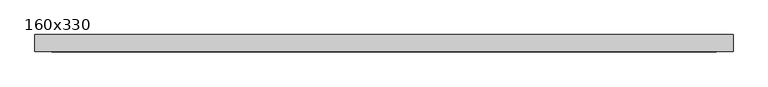
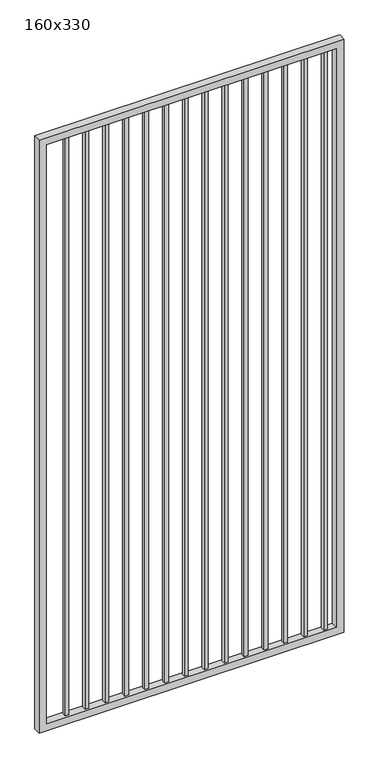
"""IFC4 building model written with IfcOpenShell, lengths in millimetres: proxy geometry, 160x330."""

from ifc_helpers import new_model, si_unit, frame, origin, place, context, project, spatial, polyline, outline, extrude, source, transform, mapped, element, save


def proxy_160x330_420c5714(model_context):
    return source(origin(), model_context, "Body", "SweptSolid", [
        extrude(outline(polyline([(1508.125, 9.525), (1508.125, -9.525), (1489.075, -9.525), (1489.075, 9.525), (1508.125, 9.525)])), frame((0.0, 0.0, 139.7), z_axis=(0.0, 0.0, 1.0), x_axis=(1.0, 0.0, 0.0)), (0.0, 0.0, 1.0), 3130.0),
        extrude(outline(polyline([(1406.525, 9.525), (1406.525, -9.525), (1387.475, -9.525), (1387.475, 9.525), (1406.525, 9.525)])), frame((0.0, 0.0, 139.7), z_axis=(0.0, 0.0, 1.0), x_axis=(1.0, 0.0, 0.0)), (0.0, 0.0, 1.0), 3130.0),
        extrude(outline(polyline([(1304.925, 9.525), (1304.925, -9.525), (1285.875, -9.525), (1285.875, 9.525), (1304.925, 9.525)])), frame((0.0, 0.0, 139.7), z_axis=(0.0, 0.0, 1.0), x_axis=(1.0, 0.0, 0.0)), (0.0, 0.0, 1.0), 3130.0),
        extrude(outline(polyline([(1203.325, 9.525), (1203.325, -9.525), (1184.275, -9.525), (1184.275, 9.525), (1203.325, 9.525)])), frame((0.0, 0.0, 139.7), z_axis=(0.0, 0.0, 1.0), x_axis=(1.0, 0.0, 0.0)), (0.0, 0.0, 1.0), 3130.0),
        extrude(outline(polyline([(1101.725, 9.525), (1101.725, -9.525), (1082.675, -9.525), (1082.675, 9.525), (1101.725, 9.525)])), frame((0.0, 0.0, 139.7), z_axis=(0.0, 0.0, 1.0), x_axis=(1.0, 0.0, 0.0)), (0.0, 0.0, 1.0), 3130.0),
        extrude(outline(polyline([(1000.125, 9.525), (1000.125, -9.525), (981.075, -9.525), (981.075, 9.525), (1000.125, 9.525)])), frame((0.0, 0.0, 139.7), z_axis=(0.0, 0.0, 1.0), x_axis=(1.0, 0.0, 0.0)), (0.0, 0.0, 1.0), 3130.0),
        extrude(outline(polyline([(898.525, 9.525), (898.525, -9.525), (879.475, -9.525), (879.475, 9.525), (898.525, 9.525)])), frame((0.0, 0.0, 139.7), z_axis=(0.0, 0.0, 1.0), x_axis=(1.0, 0.0, 0.0)), (0.0, 0.0, 1.0), 3130.0),
        extrude(outline(polyline([(796.925, 9.525), (796.925, -9.525), (777.875, -9.525), (777.875, 9.525), (796.925, 9.525)])), frame((0.0, 0.0, 139.7), z_axis=(0.0, 0.0, 1.0), x_axis=(1.0, 0.0, 0.0)), (0.0, 0.0, 1.0), 3130.0),
        extrude(outline(polyline([(695.325, 9.525), (695.325, -9.525), (676.275, -9.525), (676.275, 9.525), (695.325, 9.525)])), frame((0.0, 0.0, 139.7), z_axis=(0.0, 0.0, 1.0), x_axis=(1.0, 0.0, 0.0)), (0.0, 0.0, 1.0), 3130.0),
        extrude(outline(polyline([(593.725, 9.525), (593.725, -9.525), (574.675, -9.525), (574.675, 9.525), (593.725, 9.525)])), frame((0.0, 0.0, 139.7), z_axis=(0.0, 0.0, 1.0), x_axis=(1.0, 0.0, 0.0)), (0.0, 0.0, 1.0), 3130.0),
        extrude(outline(polyline([(492.125, 9.525), (492.125, -9.525), (473.075, -9.525), (473.075, 9.525), (492.125, 9.525)])), frame((0.0, 0.0, 139.7), z_axis=(0.0, 0.0, 1.0), x_axis=(1.0, 0.0, 0.0)), (0.0, 0.0, 1.0), 3130.0),
        extrude(outline(polyline([(390.525, 9.525), (390.525, -9.525), (371.475, -9.525), (371.475, 9.525), (390.525, 9.525)])), frame((0.0, 0.0, 139.7), z_axis=(0.0, 0.0, 1.0), x_axis=(1.0, 0.0, 0.0)), (0.0, 0.0, 1.0), 3130.0),
        extrude(outline(polyline([(288.925, 9.525), (288.925, -9.525), (269.875, -9.525), (269.875, 9.525), (288.925, 9.525)])), frame((0.0, 0.0, 139.7), z_axis=(0.0, 0.0, 1.0), x_axis=(1.0, 0.0, 0.0)), (0.0, 0.0, 1.0), 3130.0),
        extrude(outline(polyline([(187.325, 9.525), (187.325, -9.525), (168.275, -9.525), (168.275, 9.525), (187.325, 9.525)])), frame((0.0, 0.0, 139.7), z_axis=(0.0, 0.0, 1.0), x_axis=(1.0, 0.0, 0.0)), (0.0, 0.0, 1.0), 3130.0),
        extrude(outline(polyline([(101.6, 1587.3), (3300.0, 1587.3), (3300.0, 30.0), (101.6, 30.0), (101.6, 1587.3)]), holes=[polyline([(3261.9, 1549.2), (139.7, 1549.2), (139.7, 68.1), (3261.9, 68.1), (3261.9, 1549.2)])]), frame((0.0, -19.05, 0.0), z_axis=(0.0, 1.0, 0.0), x_axis=(0.0, 0.0, 1.0)), (0.0, 0.0, 1.0), 38.1),
    ])


if __name__ == "__main__":
    model = new_model("IFC4")
    model_context = context("Model", 3, world=origin())
    ifc_project = project(units=[si_unit("LENGTHUNIT", "METRE", prefix="MILLI")], contexts=[model_context])
    site = spatial("IfcSite", under=ifc_project)
    building = spatial("IfcBuilding", under=site)
    placement = place(None, origin())
    proxy_160x330_shape = proxy_160x330_420c5714(model_context)
    element("IfcBuildingElementProxy", 1, Name="160x330", ObjectType="160x330", at=placement, inside=building, context=model_context, shape_type="MappedRepresentation", body=[
        mapped(proxy_160x330_shape, transform((0.0, 0.0, 0.0), x_axis=(1.0, 0.0, 0.0), y_axis=(0.0, 1.0, 0.0), z_axis=(0.0, 0.0, 1.0))),
    ])
    save(model, "model.ifc")
